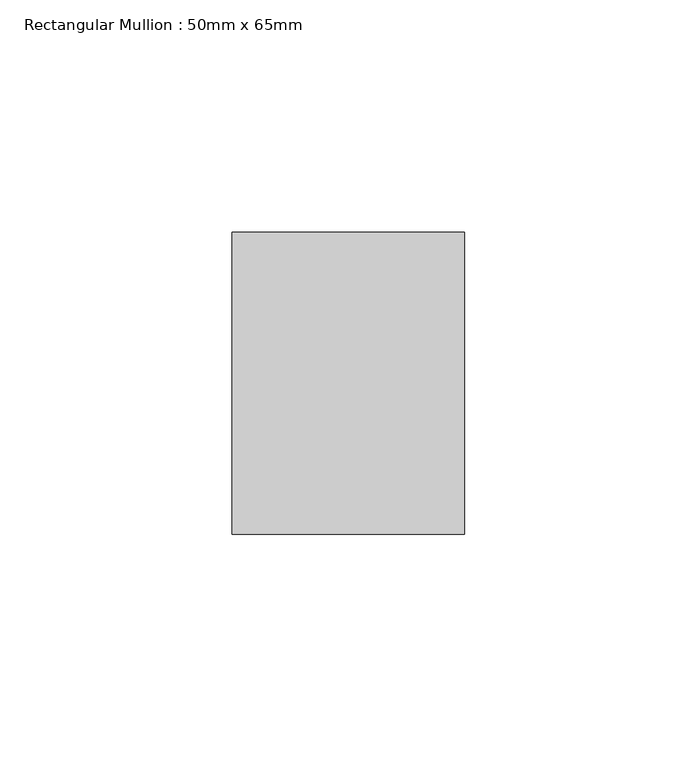
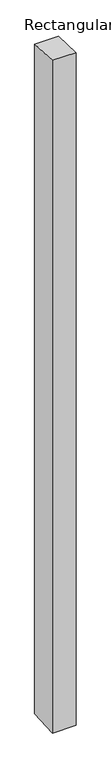
"""IFC4 building model written with IfcOpenShell, lengths in millimetres: member geometry, Rectangular Mullion : 50mm x 65mm."""

from ifc_helpers import new_model, si_unit, origin, place, context, project, spatial, faceted_brep, source, transform, mapped, element, save


def rectangular_mullion_50mm_x_65mm_2e78eb70(model_context):
    return source(origin(), model_context, "Body", "Brep", [
        faceted_brep([(-25.0, 32.5, -1.4676815), (25.0, 32.5, -1.4676694), (25.0, 32.5, -1498.1020465), (-25.0, 32.5, -1498.1020309), (-25.0, -32.5, 1.4676694), (-25.0, -32.5, -1501.8977748), (25.0, -32.5, 1.4676815), (25.0, -32.5, -1501.8977904)], [[[0, 1, 2, 3]], [[4, 0, 3, 5]], [[6, 4, 5, 7]], [[1, 6, 7, 2]], [[1, 0, 4, 6]], [[2, 7, 5, 3]]]),
    ])


if __name__ == "__main__":
    model = new_model("IFC4")
    model_context = context("Model", 3, world=origin())
    ifc_project = project(units=[si_unit("LENGTHUNIT", "METRE", prefix="MILLI")], contexts=[model_context])
    site = spatial("IfcSite", under=ifc_project)
    building = spatial("IfcBuilding", under=site)
    placement = place(None, origin())
    rectangular_mullion_50mm_x_65mm_shape = rectangular_mullion_50mm_x_65mm_2e78eb70(model_context)
    element("IfcMember", 1, ObjectType="Rectangular Mullion : 50mm x 65mm", at=placement, inside=building, context=model_context, shape_type="MappedRepresentation", body=[
        mapped(rectangular_mullion_50mm_x_65mm_shape, transform((0.0, 0.0, 0.0), x_axis=(1.0, 0.0, 0.0), y_axis=(0.0, 1.0, 0.0), z_axis=(0.0, 0.0, 1.0))),
    ])
    save(model, "model.ifc")
